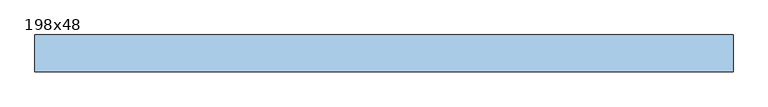
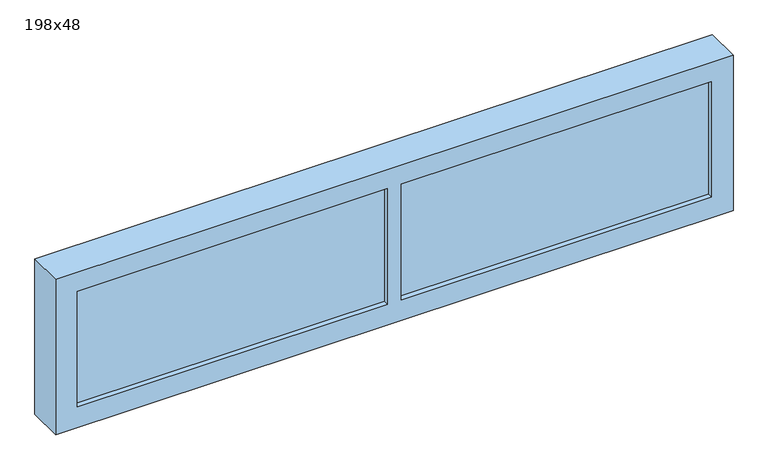
"""IFC4 building model written with IfcOpenShell, lengths in millimetres: window geometry, 198x48."""

from ifc_helpers import new_model, si_unit, frame, origin, place, context, project, spatial, polyline, outline, extrude, faceted_brep, source, transform, mapped, element, save


def window_198x48_6f5791de(model_context):
    return source(origin(), model_context, "Body", "SolidModel", [
        extrude(outline(polyline([(888.4, 111.425), (-964.6, 111.425), (-964.6, 124.125), (888.4, 124.125), (888.4, 111.425)])), frame((0.0, 0.0, 977.9), z_axis=(0.0, 0.0, 1.0), x_axis=(1.0, 0.0, 0.0)), (0.0, 0.0, 1.0), 357.45),
        faceted_brep([(932.85, 140.0, 1375.35), (932.85, 140.0, 933.45), (-1009.05, 140.0, 933.45), (-1009.05, 140.0, 1375.35), (-58.1, 140.0, 1375.35), (-18.1, 140.0, 1375.35), (-964.6, 140.0, 1335.35), (-964.6, 140.0, 977.9), (-58.1, 140.0, 977.9), (-58.1, 140.0, 1335.35), (888.4, 140.0, 977.9), (888.4, 140.0, 1335.35), (-18.1, 140.0, 1335.35), (-18.1, 140.0, 977.9), (-964.6, 95.55, 1335.35), (-964.6, 95.55, 977.9), (-58.1, 95.55, 977.9), (888.4, 95.55, 977.9), (-18.1, 95.55, 977.9), (-58.1, 95.55, 1335.35), (888.4, 95.55, 1335.35), (-18.1, 95.55, 1335.35), (932.85, 200.0, 1375.35), (932.85, 200.0, 933.45), (-1009.05, 200.0, 933.45), (-1009.05, 200.0, 1375.35), (951.9, 95.55, 1394.4), (-1028.1, 95.55, 1394.4), (-1028.1, 95.55, 914.4), (951.9, 95.55, 914.4), (-1028.1, 200.0, 1394.4), (-1028.1, 200.0, 914.4), (951.9, 200.0, 914.4), (951.9, 200.0, 1394.4)], [[[0, 1, 2, 3, 4, 5], [6, 7, 8, 9], [10, 11, 12, 13]], [[7, 6, 14, 15]], [[7, 15, 16, 8]], [[17, 10, 13, 18]], [[9, 8, 16, 19]], [[11, 10, 17, 20]], [[21, 18, 13, 12]], [[22, 23, 1, 0]], [[23, 24, 2, 1]], [[24, 25, 3, 2]], [[26, 27, 28, 29], [15, 14, 19, 16], [20, 17, 18, 21]], [[28, 27, 30, 31]], [[29, 28, 31, 32]], [[26, 29, 32, 33]], [[33, 32, 31, 30], [22, 25, 24, 23]], [[26, 33, 30, 27]], [[14, 6, 9, 19]], [[11, 20, 21, 12]], [[25, 22, 0, 5, 4, 3]]]),
    ])


if __name__ == "__main__":
    model = new_model("IFC4")
    model_context = context("Model", 3, world=origin())
    ifc_project = project(units=[si_unit("LENGTHUNIT", "METRE", prefix="MILLI")], contexts=[model_context])
    site = spatial("IfcSite", under=ifc_project)
    building = spatial("IfcBuilding", under=site)
    placement = place(None, origin())
    window_198x48_shape = window_198x48_6f5791de(model_context)
    element("IfcWindow", 1, ObjectType="198x48", at=placement, inside=building, context=model_context, shape_type="MappedRepresentation", body=[
        mapped(window_198x48_shape, transform((0.0, 0.0, 0.0), x_axis=(1.0, 0.0, 0.0), y_axis=(0.0, 1.0, 0.0), z_axis=(0.0, 0.0, 1.0))),
    ])
    save(model, "model.ifc")
